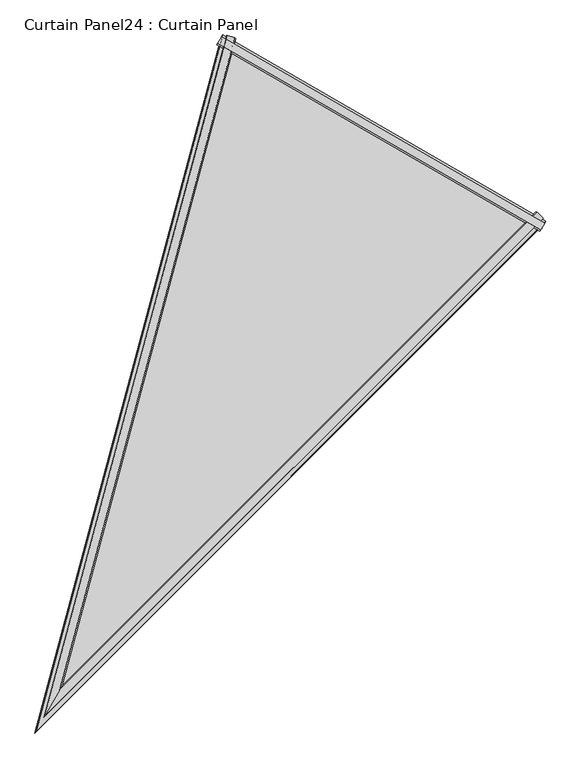
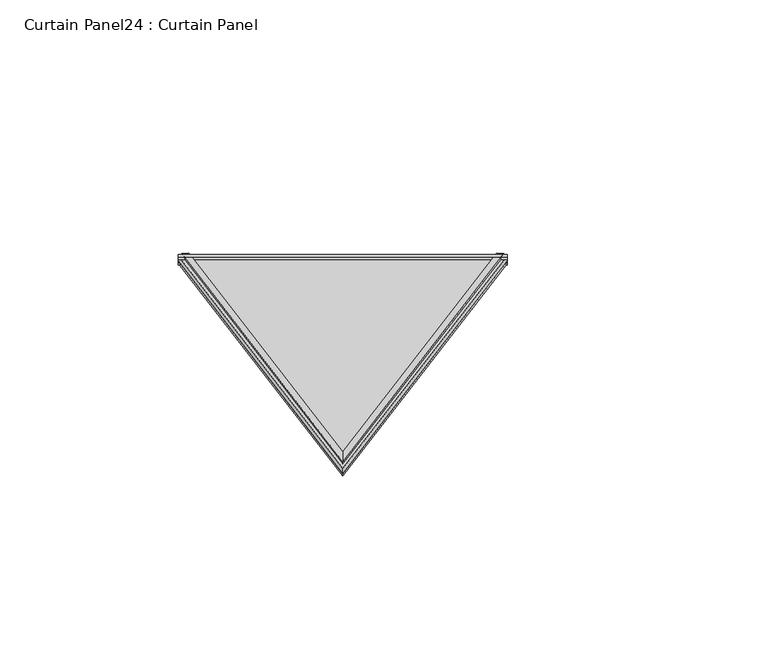
"""IFC4 building model written with IfcOpenShell, lengths in millimetres: plate geometry, Curtain Panel24 : Curtain Panel."""

from ifc_helpers import new_model, si_unit, frame, origin, place, context, project, spatial, polyline, outline, extrude, faceted_brep, source, transform, mapped, element, save


def curtain_panel24_curtain_panel_463fc944(model_context):
    return source(origin(), model_context, "Body", "SolidModel", [
        extrude(outline(polyline([(22.6453068, -5.2654921), (22.7899271, -21.727475), (17.5121093, -24.3595661), (17.5121093, -3.9575953), (22.6453068, -5.2654921)])), frame((-11147.1332051, -12626.596941, 3557.6479812), z_axis=(-0.866025403784433, 0.5000000000000101, 0.0), x_axis=(0.13365358018178433, 0.23149479148832794, 0.96361137499428)), (0.0, 0.0, 1.0), 756.5604824),
        extrude(outline(polyline([(4.7128906, -13.7689417), (0.2350852, -12.8327142), (-2.7690098, -2.0027464), (4.7128906, 0.0), (4.7128906, -13.7689417)])), frame((-11147.1332051, -12626.596941, 3557.6479812), z_axis=(-0.866025403784433, 0.5000000000000101, 0.0), x_axis=(0.13365358018178433, 0.23149479148832794, 0.96361137499428)), (0.0, 0.0, 1.0), 756.5604824),
        faceted_brep([(-11773.4263826, -12251.8956701, 3572.6717164), (-11792.0723572, -12246.5384903, 3573.9709353), (-11791.3916927, -12245.3595448, 3578.8783688), (-11775.5121, -12249.9119352, 3577.8078809), (-12124.9606296, -13563.6831203, 3936.5692192), (-11164.6863154, -12603.3516255, 3572.6716477), (-11150.7238744, -12616.8209233, 3573.9708665), (-12162.4372659, -13628.5945584, 3957.3613631), (-12161.7566014, -13627.4156129, 3962.2687966), (-12129.8451206, -13572.1433069, 3944.6025884), (-11161.9254919, -12604.1660423, 3577.8078121), (-11150.0432098, -12615.6419778, 3578.8783)], [[[0, 1, 2, 3]], [[1, 0, 4, 5, 6, 7]], [[2, 1, 7, 8]], [[3, 2, 8, 9]], [[0, 3, 9, 4]], [[5, 10, 11, 6]], [[8, 7, 6, 11]], [[9, 8, 11, 10]], [[4, 9, 10, 5]]]),
        faceted_brep([(-11802.3865361, -12248.4571938, 3557.0905824), (-11801.6795651, -12247.232684, 3562.18768), (-11791.0300951, -12250.292386, 3561.4456436), (-11791.3321166, -12251.4195457, 3557.0906676), (-12180.726206, -13660.2719319, 3948.7362392), (-12180.0192349, -13659.0474221, 3953.8333368), (-11146.5214598, -12625.4881062, 3562.1876113), (-11154.4959744, -12617.7952457, 3561.4455748), (-12158.6148127, -13621.9738753, 3941.9581027), (-12158.6147456, -13621.9737591, 3937.2904138), (-11147.2284308, -12626.712616, 3557.0905137), (-11155.3211126, -12618.6203838, 3557.0905989)], [[[0, 1, 2, 3]], [[1, 0, 4, 5]], [[2, 1, 5, 6, 7, 8]], [[3, 2, 8, 9]], [[0, 3, 9, 4]], [[10, 11, 7, 6]], [[5, 4, 10, 6]], [[9, 8, 7, 11]], [[4, 9, 11, 10]]]),
        extrude(outline(polyline([(-16.2703556, 0.0), (-394.5505932, -1465.2475532), (-772.8308307, 0.0), (-16.2703556, 0.0)])), frame((-11132.4128236, -12633.6410777, 3562.1893762), z_axis=(0.13365358018178428, 0.2314947914883279, 0.9636113749942801), x_axis=(0.8660254037844338, -0.5000000000000084, 0.0)), (0.0, 0.0, 1.0), 12.7992188),
    ])


if __name__ == "__main__":
    model = new_model("IFC4")
    model_context = context("Model", 3, world=origin())
    ifc_project = project(units=[si_unit("LENGTHUNIT", "METRE", prefix="MILLI")], contexts=[model_context])
    site = spatial("IfcSite", under=ifc_project)
    building = spatial("IfcBuilding", under=site)
    placement = place(None, origin())
    curtain_panel24_curtain_panel_shape = curtain_panel24_curtain_panel_463fc944(model_context)
    element("IfcPlate", 1, ObjectType="Curtain Panel24 : Curtain Panel", at=placement, inside=building, context=model_context, shape_type="MappedRepresentation", body=[
        mapped(curtain_panel24_curtain_panel_shape, transform((0.0, 0.0, 0.0), x_axis=(1.0, 0.0, 0.0), y_axis=(0.0, 1.0, 0.0), z_axis=(0.0, 0.0, 1.0))),
    ])
    save(model, "model.ifc")
